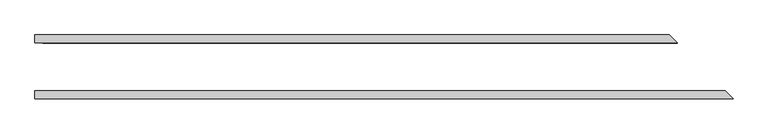
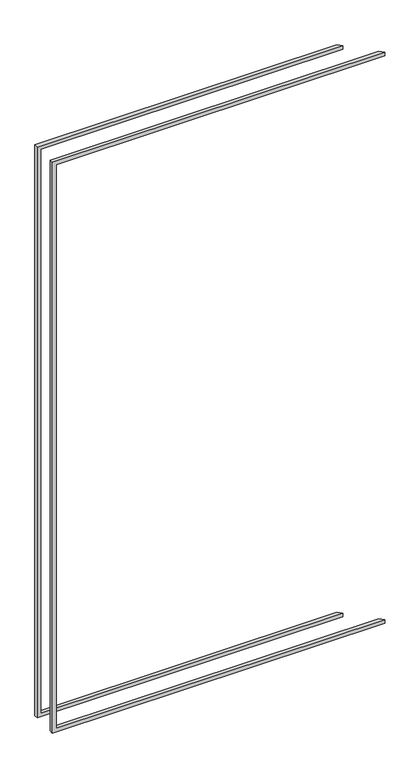
"""IFC4 building model written with IfcOpenShell, lengths in millimetres: proxy geometry."""

from ifc_helpers import new_model, si_unit, origin, place, context, project, spatial, faceted_brep, source, transform, mapped, element, save


def generic_models_c9f69e85(model_context):
    return source(origin(), model_context, "Body", "Brep", [
        faceted_brep([(-1243.0125, -59.53125, 26.9875), (-1243.0125, -44.45, 26.9875), (44.45, -44.45, 26.9875), (59.53125, -59.53125, 26.9875), (-1228.725, -44.45, 2378.075), (-1228.725, -59.53125, 2378.075), (-1228.725, -59.53125, 41.275), (-1228.725, -44.45, 41.275), (-1243.0125, -44.45, 2392.3625), (-1243.0125, -59.53125, 2392.3625), (59.53125, -59.53125, 2392.3625), (44.45, -44.45, 2392.3625), (44.45, -44.45, 2378.075), (44.45, -44.45, 41.275), (59.53125, -59.53125, 41.275), (59.53125, -59.53125, 2378.075)], [[[0, 1, 2, 3]], [[4, 5, 6, 7]], [[8, 9, 10, 11]], [[2, 1, 8, 11, 12, 4, 7, 13]], [[9, 8, 1, 0]], [[0, 3, 14, 6, 5, 15, 10, 9]], [[13, 7, 6, 14]], [[13, 14, 3, 2]], [[12, 15, 5, 4]], [[11, 10, 15, 12]]]),
        faceted_brep([(-1243.0125, 44.45, 26.9875), (-1243.0125, 59.53125, 26.9875), (-59.53125, 59.53125, 26.9875), (-44.45, 44.45, 26.9875), (-1243.0125, 59.53125, 2392.3625), (-59.53125, 59.53125, 2392.3625), (-59.53125, 59.53125, 2378.075), (-1228.725, 59.53125, 2378.075), (-1228.725, 59.53125, 41.275), (-59.53125, 59.53125, 41.275), (-1243.0125, 44.45, 2392.3625), (-44.45, 44.45, 41.275), (-1228.725, 44.45, 41.275), (-1228.725, 44.45, 2378.075), (-44.45, 44.45, 2378.075), (-44.45, 44.45, 2392.3625)], [[[0, 1, 2, 3]], [[2, 1, 4, 5, 6, 7, 8, 9]], [[10, 4, 1, 0]], [[0, 3, 11, 12, 13, 14, 15, 10]], [[7, 13, 12, 8]], [[4, 10, 15, 5]], [[9, 8, 12, 11]], [[9, 11, 3, 2]], [[14, 13, 7, 6]], [[5, 15, 14, 6]]]),
    ])


if __name__ == "__main__":
    model = new_model("IFC4")
    model_context = context("Model", 3, world=origin())
    ifc_project = project(units=[si_unit("LENGTHUNIT", "METRE", prefix="MILLI")], contexts=[model_context])
    site = spatial("IfcSite", under=ifc_project)
    building = spatial("IfcBuilding", under=site)
    placement = place(None, origin())
    generic_models_shape = generic_models_c9f69e85(model_context)
    element("IfcBuildingElementProxy", 1, Name="Generic Models", at=placement, inside=building, context=model_context, shape_type="MappedRepresentation", body=[
        mapped(generic_models_shape, transform((0.0, 0.0, 0.0), x_axis=(1.0, 0.0, 0.0), y_axis=(0.0, 1.0, 0.0), z_axis=(0.0, 0.0, 1.0))),
    ])
    save(model, "model.ifc")
